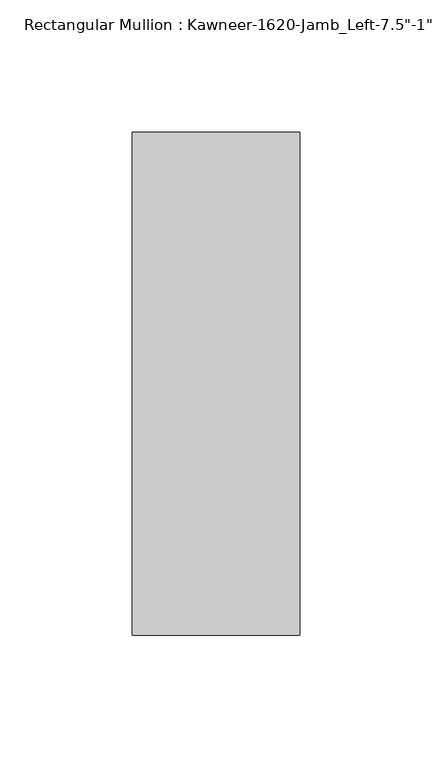
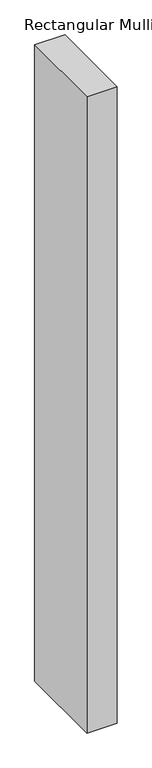
"""IFC4 building model written with IfcOpenShell, lengths in millimetres: member geometry."""

import ifcopenshell
import ifcopenshell.guid

model = None  # the IFC model being written
_history = None  # IfcOwnerHistory: only IFC2X3 demands one
_inside = {}  # id of a spatial element -> (the spatial element, [elements in it])
_under = {}  # id of a project, library or spatial element -> (it, [spatial elements below it])
_declared = {}  # id of a project -> (the project, [libraries it declares])
_typed = {}  # id of a type object -> (the type object, [elements of that type])
_made_of = {}  # id of a material, layer set ... -> (it, [elements and type objects made of it])


def new_model(schema):
    """Start an empty IFC model of exactly this schema.

    Asked for "IFC4X3", IfcOpenShell would pick the latest addendum, in which some entities
    have other attributes; the version numbers below select the first issue.
    IFC2X3 requires an IfcOwnerHistory on every rooted entity: one is made here for all.
    """
    global model, _history
    if schema == "IFC4X3":
        model = ifcopenshell.file(schema_version=(4, 3, 0, 0))
    else:
        model = ifcopenshell.file(schema=schema)
    _inside.clear()
    _under.clear()
    _declared.clear()
    _typed.clear()
    _made_of.clear()
    _history = None
    if model.schema == "IFC2X3":
        org = make("IfcOrganization", Name="unknown")
        user = make(
            "IfcPersonAndOrganization",
            ThePerson=make("IfcPerson", FamilyName="unknown"),
            TheOrganization=org,
        )
        app = make(
            "IfcApplication",
            ApplicationDeveloper=org,
            Version="unknown",
            ApplicationFullName="unknown",
            ApplicationIdentifier="unknown",
        )
        _history = make(
            "IfcOwnerHistory",
            OwningUser=user,
            OwningApplication=app,
            ChangeAction="ADDED",
            CreationDate=0,
        )
    return model


def make(cls, **values):
    """One entity of the class cls with the attributes given. An attribute that is None is left unset."""
    return model.create_entity(
        cls, **{name: value for name, value in values.items() if value is not None}
    )


def rooted(cls, **values):
    """An entity with a GlobalId (a new one), such as an element, a storey or a relation."""
    return make(cls, GlobalId=ifcopenshell.guid.new(), OwnerHistory=_history, **values)


def si_unit(unit_type, name, prefix=None):
    """IfcSIUnit, for example si_unit("LENGTHUNIT", "METRE", prefix="MILLI")."""
    return make("IfcSIUnit", UnitType=unit_type, Prefix=prefix, Name=name)


def assignment(units):
    """IfcUnitAssignment: the units of a project."""
    return None if units is None else make("IfcUnitAssignment", Units=units)


def point(xyz):
    """IfcCartesianPoint."""
    return None if xyz is None else make("IfcCartesianPoint", Coordinates=xyz)


def direction(xyz):
    """IfcDirection."""
    return None if xyz is None else make("IfcDirection", DirectionRatios=xyz)


def frame(location, z_axis=None, x_axis=None):
    """IfcAxis2Placement3D, a coordinate frame: its origin and axes. An axis left out is left unset."""
    return make(
        "IfcAxis2Placement3D",
        Location=point(location),
        Axis=direction(z_axis),
        RefDirection=direction(x_axis),
    )


def origin():
    """The frame at (0, 0, 0) with its axes left unset."""
    return frame((0.0, 0.0, 0.0))


def place(relative_to, where):
    """IfcLocalPlacement: puts the frame where relative to a parent placement (None: the world)."""
    return make(
        "IfcLocalPlacement", PlacementRelTo=relative_to, RelativePlacement=where
    )


def context(
    kind, dimensions, precision=None, world=None, true_north=None, identifier=None
):
    """IfcGeometricRepresentationContext, for example the 3D "Model" context."""
    return make(
        "IfcGeometricRepresentationContext",
        ContextIdentifier=identifier,
        ContextType=kind,
        CoordinateSpaceDimension=dimensions,
        Precision=precision,
        WorldCoordinateSystem=world,
        TrueNorth=true_north,
    )


def project(units=None, contexts=None):
    """IfcProject with its units and contexts."""
    return rooted(
        "IfcProject",
        Name="project",
        RepresentationContexts=contexts,
        UnitsInContext=assignment(units),
    )


def spatial(cls, under=None, at=None, **own):
    """A site, building, storey or space (cls), placed at a placement, below another one or the project."""
    s = rooted(cls, ObjectPlacement=at, **own)
    if under is not None:
        _under.setdefault(under.id(), (under, []))[1].append(s)
    return s


def polyline(points):
    """IfcPolyline through the points."""
    return make("IfcPolyline", Points=[point(p) for p in points])


def outline(outer, holes=None, kind="AREA"):
    """IfcArbitraryClosedProfileDef: a profile drawn as a closed curve; with holes, ...WithVoids."""
    if holes is None:
        return make("IfcArbitraryClosedProfileDef", ProfileType=kind, OuterCurve=outer)
    return make(
        "IfcArbitraryProfileDefWithVoids",
        ProfileType=kind,
        OuterCurve=outer,
        InnerCurves=holes,
    )


def extrude(swept, where, along, depth):
    """IfcExtrudedAreaSolid: the profile swept, set in the frame where, extruded along a direction by depth."""
    return make(
        "IfcExtrudedAreaSolid",
        SweptArea=swept,
        Position=where,
        ExtrudedDirection=direction(along),
        Depth=depth,
    )


def shape(context_of_items, identifier, shape_type, items):
    """IfcShapeRepresentation: the items that make up one representation, for example the "Body"."""
    return make(
        "IfcShapeRepresentation",
        ContextOfItems=context_of_items,
        RepresentationIdentifier=identifier,
        RepresentationType=shape_type,
        Items=items,
    )


def source(mapping_origin, context_of_items, identifier, shape_type, items):
    """IfcRepresentationMap: a shape defined once, which mapped items show again and again."""
    return make(
        "IfcRepresentationMap",
        MappingOrigin=mapping_origin,
        MappedRepresentation=shape(context_of_items, identifier, shape_type, items),
    )


def transform(
    local_origin,
    x_axis=None,
    y_axis=None,
    z_axis=None,
    scale=None,
    scale2=None,
    scale3=None,
    uniform=True,
):
    """IfcCartesianTransformationOperator3D, or its non-uniform kind. x_axis, y_axis, z_axis: its Axis1, 2, 3."""
    if uniform:
        return make(
            "IfcCartesianTransformationOperator3D",
            Axis1=direction(x_axis),
            Axis2=direction(y_axis),
            LocalOrigin=point(local_origin),
            Scale=scale,
            Axis3=direction(z_axis),
        )
    return make(
        "IfcCartesianTransformationOperator3DnonUniform",
        Axis1=direction(x_axis),
        Axis2=direction(y_axis),
        LocalOrigin=point(local_origin),
        Scale=scale,
        Axis3=direction(z_axis),
        Scale2=scale2,
        Scale3=scale3,
    )


def mapped(mapping_source, mapping_target):
    """IfcMappedItem: shows the shape of a source again, moved by a transform."""
    return make(
        "IfcMappedItem", MappingSource=mapping_source, MappingTarget=mapping_target
    )


def made_of(thing, what):
    """Note that an element or type object is made of a material, layer set ...; save() writes the relation."""
    if what is not None:
        _made_of.setdefault(what.id(), (what, []))[1].append(thing)
    return thing


def element(
    cls,
    number,
    at=None,
    inside=None,
    cuts=None,
    type_object=None,
    material=None,
    context=None,
    identifier="Body",
    shape_type=None,
    held_by="IfcProductDefinitionShape",
    body=None,
    shapes=None,
    **own,
):
    """One element of the class cls, such as IfcWall. Its Tag is "e" and its number.

    at: its placement. inside: the storey or other place that contains it. cuts: it is an
    opening in that element (IfcRelVoidsElement). A single representation is given by context,
    identifier, shape_type and body (its items); several are given by shapes. held_by: the class
    of the entity that holds the representations. save() writes the other relations.
    """
    e = rooted(cls, Tag="e%d" % number, ObjectPlacement=at, **own)
    if body is not None:
        shapes = [shape(context, identifier, shape_type, body)]
    if shapes is not None:
        e.Representation = make(held_by, Representations=shapes)
    if inside is not None:
        _inside.setdefault(inside.id(), (inside, []))[1].append(e)
    if cuts is not None:
        rooted(
            "IfcRelVoidsElement", RelatingBuildingElement=cuts, RelatedOpeningElement=e
        )
    if type_object is not None:
        _typed.setdefault(type_object.id(), (type_object, []))[1].append(e)
    return made_of(e, material)


def aggregate(whole, parts):
    """IfcRelAggregates: a whole, such as a stair, and the parts it consists of."""
    return rooted("IfcRelAggregates", RelatingObject=whole, RelatedObjects=parts)


def save(model, path):
    """Write the relations noted so far, then the file.

    IfcRelAggregates (storeys below a building ...), IfcRelContainedInSpatialStructure (elements
    in a storey), IfcRelDefinesByType, IfcRelAssociatesMaterial and IfcRelDeclares: one each for
    every whole, place, type object, material and project.
    """
    for whole, parts in _under.values():
        aggregate(whole, parts)
    for where, things in _inside.values():
        rooted(
            "IfcRelContainedInSpatialStructure",
            RelatedElements=things,
            RelatingStructure=where,
        )
    for kind, things in _typed.values():
        rooted("IfcRelDefinesByType", RelatedObjects=things, RelatingType=kind)
    for what, things in _made_of.values():
        rooted("IfcRelAssociatesMaterial", RelatedObjects=things, RelatingMaterial=what)
    for by, libraries in _declared.values():
        rooted("IfcRelDeclares", RelatingContext=by, RelatedDefinitions=libraries)
    model.write(path)


def member_5a1e1aad(model_context):
    return source(origin(), model_context, "Body", "SweptSolid", [
        extrude(outline(polyline([(-63.5, 38.1), (0.0, 38.1), (0.0, -152.4), (-63.5, -152.4), (-63.5, 38.1)])), frame((0.0, 0.0, -1416.05), z_axis=(0.0, 0.0, 1.0), x_axis=(1.0, 0.0, 0.0)), (0.0, 0.0, 1.0), 1416.05),
    ])


if __name__ == "__main__":
    model = new_model("IFC4")
    model_context = context("Model", 3, world=origin())
    ifc_project = project(units=[si_unit("LENGTHUNIT", "METRE", prefix="MILLI")], contexts=[model_context])
    site = spatial("IfcSite", under=ifc_project)
    building = spatial("IfcBuilding", under=site)
    placement = place(None, origin())
    member_shape = member_5a1e1aad(model_context)
    element("IfcMember", 1, ObjectType="Rectangular Mullion : Kawneer-1620-Jamb_Left-7.5\"-1\"Infill", at=placement, inside=building, context=model_context, shape_type="MappedRepresentation", body=[
        mapped(member_shape, transform((0.0, 0.0, 0.0), x_axis=(1.0, 0.0, 0.0), y_axis=(0.0, 1.0, 0.0), z_axis=(0.0, 0.0, 1.0))),
    ])
    save(model, "model.ifc")
